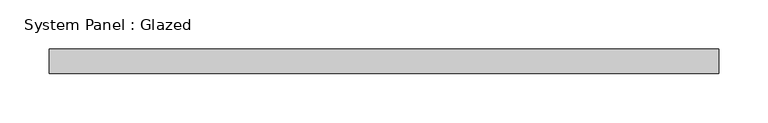
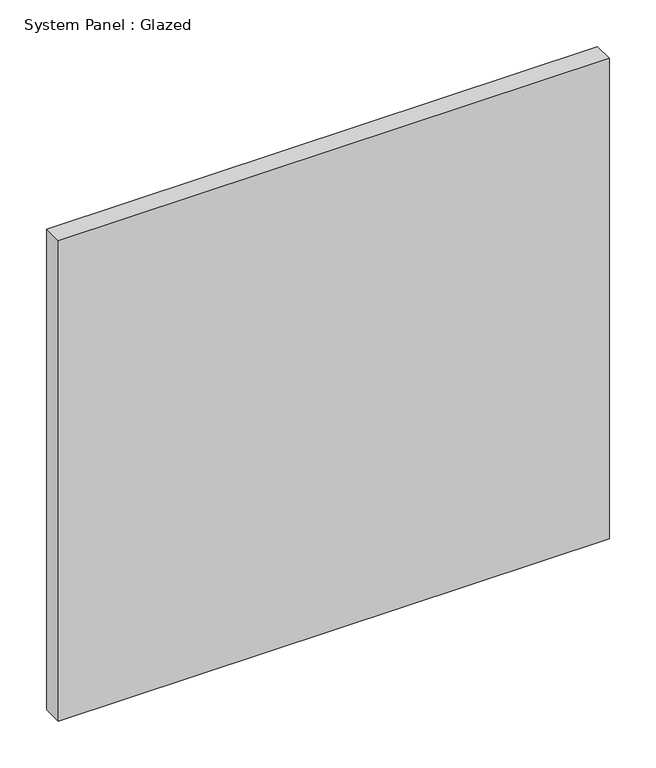
"""IFC4 building model written with IfcOpenShell, lengths in millimetres: plate geometry, System Panel : Glazed."""

import ifcopenshell
import ifcopenshell.guid

model = None  # the IFC model being written
_history = None  # IfcOwnerHistory: only IFC2X3 demands one
_inside = {}  # id of a spatial element -> (the spatial element, [elements in it])
_under = {}  # id of a project, library or spatial element -> (it, [spatial elements below it])
_declared = {}  # id of a project -> (the project, [libraries it declares])
_typed = {}  # id of a type object -> (the type object, [elements of that type])
_made_of = {}  # id of a material, layer set ... -> (it, [elements and type objects made of it])


def new_model(schema):
    """Start an empty IFC model of exactly this schema.

    Asked for "IFC4X3", IfcOpenShell would pick the latest addendum, in which some entities
    have other attributes; the version numbers below select the first issue.
    IFC2X3 requires an IfcOwnerHistory on every rooted entity: one is made here for all.
    """
    global model, _history
    if schema == "IFC4X3":
        model = ifcopenshell.file(schema_version=(4, 3, 0, 0))
    else:
        model = ifcopenshell.file(schema=schema)
    _inside.clear()
    _under.clear()
    _declared.clear()
    _typed.clear()
    _made_of.clear()
    _history = None
    if model.schema == "IFC2X3":
        org = make("IfcOrganization", Name="unknown")
        user = make(
            "IfcPersonAndOrganization",
            ThePerson=make("IfcPerson", FamilyName="unknown"),
            TheOrganization=org,
        )
        app = make(
            "IfcApplication",
            ApplicationDeveloper=org,
            Version="unknown",
            ApplicationFullName="unknown",
            ApplicationIdentifier="unknown",
        )
        _history = make(
            "IfcOwnerHistory",
            OwningUser=user,
            OwningApplication=app,
            ChangeAction="ADDED",
            CreationDate=0,
        )
    return model


def make(cls, **values):
    """One entity of the class cls with the attributes given. An attribute that is None is left unset."""
    return model.create_entity(
        cls, **{name: value for name, value in values.items() if value is not None}
    )


def rooted(cls, **values):
    """An entity with a GlobalId (a new one), such as an element, a storey or a relation."""
    return make(cls, GlobalId=ifcopenshell.guid.new(), OwnerHistory=_history, **values)


def si_unit(unit_type, name, prefix=None):
    """IfcSIUnit, for example si_unit("LENGTHUNIT", "METRE", prefix="MILLI")."""
    return make("IfcSIUnit", UnitType=unit_type, Prefix=prefix, Name=name)


def assignment(units):
    """IfcUnitAssignment: the units of a project."""
    return None if units is None else make("IfcUnitAssignment", Units=units)


def point(xyz):
    """IfcCartesianPoint."""
    return None if xyz is None else make("IfcCartesianPoint", Coordinates=xyz)


def direction(xyz):
    """IfcDirection."""
    return None if xyz is None else make("IfcDirection", DirectionRatios=xyz)


def frame(location, z_axis=None, x_axis=None):
    """IfcAxis2Placement3D, a coordinate frame: its origin and axes. An axis left out is left unset."""
    return make(
        "IfcAxis2Placement3D",
        Location=point(location),
        Axis=direction(z_axis),
        RefDirection=direction(x_axis),
    )


def origin():
    """The frame at (0, 0, 0) with its axes left unset."""
    return frame((0.0, 0.0, 0.0))


def origin_with_axes():
    """The frame at (0, 0, 0) with the z axis (0, 0, 1) and the x axis (1, 0, 0) written out."""
    return frame((0.0, 0.0, 0.0), z_axis=(0.0, 0.0, 1.0), x_axis=(1.0, 0.0, 0.0))


def place(relative_to, where):
    """IfcLocalPlacement: puts the frame where relative to a parent placement (None: the world)."""
    return make(
        "IfcLocalPlacement", PlacementRelTo=relative_to, RelativePlacement=where
    )


def context(
    kind, dimensions, precision=None, world=None, true_north=None, identifier=None
):
    """IfcGeometricRepresentationContext, for example the 3D "Model" context."""
    return make(
        "IfcGeometricRepresentationContext",
        ContextIdentifier=identifier,
        ContextType=kind,
        CoordinateSpaceDimension=dimensions,
        Precision=precision,
        WorldCoordinateSystem=world,
        TrueNorth=true_north,
    )


def project(units=None, contexts=None):
    """IfcProject with its units and contexts."""
    return rooted(
        "IfcProject",
        Name="project",
        RepresentationContexts=contexts,
        UnitsInContext=assignment(units),
    )


def spatial(cls, under=None, at=None, **own):
    """A site, building, storey or space (cls), placed at a placement, below another one or the project."""
    s = rooted(cls, ObjectPlacement=at, **own)
    if under is not None:
        _under.setdefault(under.id(), (under, []))[1].append(s)
    return s


def polyline(points):
    """IfcPolyline through the points."""
    return make("IfcPolyline", Points=[point(p) for p in points])


def outline(outer, holes=None, kind="AREA"):
    """IfcArbitraryClosedProfileDef: a profile drawn as a closed curve; with holes, ...WithVoids."""
    if holes is None:
        return make("IfcArbitraryClosedProfileDef", ProfileType=kind, OuterCurve=outer)
    return make(
        "IfcArbitraryProfileDefWithVoids",
        ProfileType=kind,
        OuterCurve=outer,
        InnerCurves=holes,
    )


def extrude(swept, where, along, depth):
    """IfcExtrudedAreaSolid: the profile swept, set in the frame where, extruded along a direction by depth."""
    return make(
        "IfcExtrudedAreaSolid",
        SweptArea=swept,
        Position=where,
        ExtrudedDirection=direction(along),
        Depth=depth,
    )


def shape(context_of_items, identifier, shape_type, items):
    """IfcShapeRepresentation: the items that make up one representation, for example the "Body"."""
    return make(
        "IfcShapeRepresentation",
        ContextOfItems=context_of_items,
        RepresentationIdentifier=identifier,
        RepresentationType=shape_type,
        Items=items,
    )


def source(mapping_origin, context_of_items, identifier, shape_type, items):
    """IfcRepresentationMap: a shape defined once, which mapped items show again and again."""
    return make(
        "IfcRepresentationMap",
        MappingOrigin=mapping_origin,
        MappedRepresentation=shape(context_of_items, identifier, shape_type, items),
    )


def transform(
    local_origin,
    x_axis=None,
    y_axis=None,
    z_axis=None,
    scale=None,
    scale2=None,
    scale3=None,
    uniform=True,
):
    """IfcCartesianTransformationOperator3D, or its non-uniform kind. x_axis, y_axis, z_axis: its Axis1, 2, 3."""
    if uniform:
        return make(
            "IfcCartesianTransformationOperator3D",
            Axis1=direction(x_axis),
            Axis2=direction(y_axis),
            LocalOrigin=point(local_origin),
            Scale=scale,
            Axis3=direction(z_axis),
        )
    return make(
        "IfcCartesianTransformationOperator3DnonUniform",
        Axis1=direction(x_axis),
        Axis2=direction(y_axis),
        LocalOrigin=point(local_origin),
        Scale=scale,
        Axis3=direction(z_axis),
        Scale2=scale2,
        Scale3=scale3,
    )


def mapped(mapping_source, mapping_target):
    """IfcMappedItem: shows the shape of a source again, moved by a transform."""
    return make(
        "IfcMappedItem", MappingSource=mapping_source, MappingTarget=mapping_target
    )


def made_of(thing, what):
    """Note that an element or type object is made of a material, layer set ...; save() writes the relation."""
    if what is not None:
        _made_of.setdefault(what.id(), (what, []))[1].append(thing)
    return thing


def element(
    cls,
    number,
    at=None,
    inside=None,
    cuts=None,
    type_object=None,
    material=None,
    context=None,
    identifier="Body",
    shape_type=None,
    held_by="IfcProductDefinitionShape",
    body=None,
    shapes=None,
    **own,
):
    """One element of the class cls, such as IfcWall. Its Tag is "e" and its number.

    at: its placement. inside: the storey or other place that contains it. cuts: it is an
    opening in that element (IfcRelVoidsElement). A single representation is given by context,
    identifier, shape_type and body (its items); several are given by shapes. held_by: the class
    of the entity that holds the representations. save() writes the other relations.
    """
    e = rooted(cls, Tag="e%d" % number, ObjectPlacement=at, **own)
    if body is not None:
        shapes = [shape(context, identifier, shape_type, body)]
    if shapes is not None:
        e.Representation = make(held_by, Representations=shapes)
    if inside is not None:
        _inside.setdefault(inside.id(), (inside, []))[1].append(e)
    if cuts is not None:
        rooted(
            "IfcRelVoidsElement", RelatingBuildingElement=cuts, RelatedOpeningElement=e
        )
    if type_object is not None:
        _typed.setdefault(type_object.id(), (type_object, []))[1].append(e)
    return made_of(e, material)


def aggregate(whole, parts):
    """IfcRelAggregates: a whole, such as a stair, and the parts it consists of."""
    return rooted("IfcRelAggregates", RelatingObject=whole, RelatedObjects=parts)


def save(model, path):
    """Write the relations noted so far, then the file.

    IfcRelAggregates (storeys below a building ...), IfcRelContainedInSpatialStructure (elements
    in a storey), IfcRelDefinesByType, IfcRelAssociatesMaterial and IfcRelDeclares: one each for
    every whole, place, type object, material and project.
    """
    for whole, parts in _under.values():
        aggregate(whole, parts)
    for where, things in _inside.values():
        rooted(
            "IfcRelContainedInSpatialStructure",
            RelatedElements=things,
            RelatingStructure=where,
        )
    for kind, things in _typed.values():
        rooted("IfcRelDefinesByType", RelatedObjects=things, RelatingType=kind)
    for what, things in _made_of.values():
        rooted("IfcRelAssociatesMaterial", RelatedObjects=things, RelatingMaterial=what)
    for by, libraries in _declared.values():
        rooted("IfcRelDeclares", RelatingContext=by, RelatedDefinitions=libraries)
    model.write(path)


def system_panel_glazed_c7b44649(model_context):
    return source(origin(), model_context, "Body", "SweptSolid", [
        extrude(outline(polyline([(340.0, 24.5), (-340.0, 24.5), (-340.0, 49.5), (340.0, 49.5), (340.0, 24.5)])), origin_with_axes(), (0.0, 0.0, 1.0), 626.6666667),
    ])


if __name__ == "__main__":
    model = new_model("IFC4")
    model_context = context("Model", 3, world=origin())
    ifc_project = project(units=[si_unit("LENGTHUNIT", "METRE", prefix="MILLI")], contexts=[model_context])
    site = spatial("IfcSite", under=ifc_project)
    building = spatial("IfcBuilding", under=site)
    placement = place(None, origin())
    system_panel_glazed_shape = system_panel_glazed_c7b44649(model_context)
    element("IfcPlate", 1, ObjectType="System Panel : Glazed", at=placement, inside=building, context=model_context, shape_type="MappedRepresentation", body=[
        mapped(system_panel_glazed_shape, transform((0.0, 0.0, 0.0), x_axis=(1.0, 0.0, 0.0), y_axis=(0.0, 1.0, 0.0), z_axis=(0.0, 0.0, 1.0))),
    ])
    save(model, "model.ifc")
